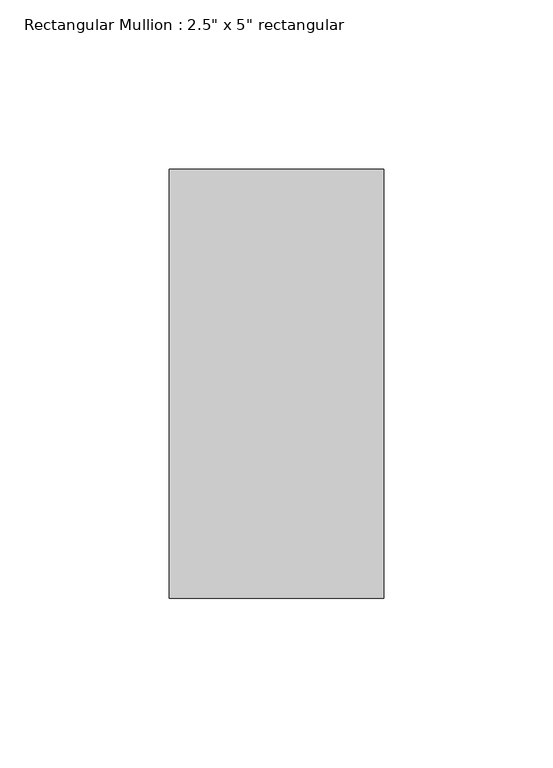
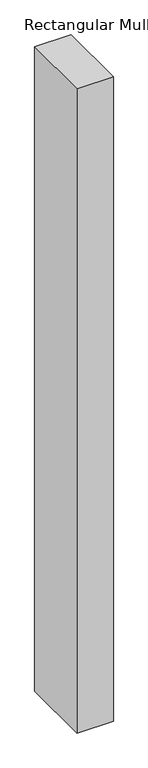
"""IFC4 building model written with IfcOpenShell, lengths in millimetres: member geometry."""

from ifc_helpers import new_model, si_unit, frame, origin, place, context, project, spatial, polyline, outline, extrude, source, transform, mapped, element, save


def member_56b8bb41(model_context):
    return source(origin(), model_context, "Body", "SweptSolid", [
        extrude(outline(polyline([(31.75, 63.5), (31.75, -63.5), (-31.75, -63.5), (-31.75, 63.5), (31.75, 63.5)])), frame((0.0, 0.0, -1184.91), z_axis=(0.0, 0.0, 1.0), x_axis=(1.0, 0.0, 0.0)), (0.0, 0.0, 1.0), 1184.91),
    ])


if __name__ == "__main__":
    model = new_model("IFC4")
    model_context = context("Model", 3, world=origin())
    ifc_project = project(units=[si_unit("LENGTHUNIT", "METRE", prefix="MILLI")], contexts=[model_context])
    site = spatial("IfcSite", under=ifc_project)
    building = spatial("IfcBuilding", under=site)
    placement = place(None, origin())
    member_shape = member_56b8bb41(model_context)
    element("IfcMember", 1, ObjectType="Rectangular Mullion : 2.5\" x 5\" rectangular", at=placement, inside=building, context=model_context, shape_type="MappedRepresentation", body=[
        mapped(member_shape, transform((0.0, 0.0, 0.0), x_axis=(1.0, 0.0, 0.0), y_axis=(0.0, 1.0, 0.0), z_axis=(0.0, 0.0, 1.0))),
    ])
    save(model, "model.ifc")
